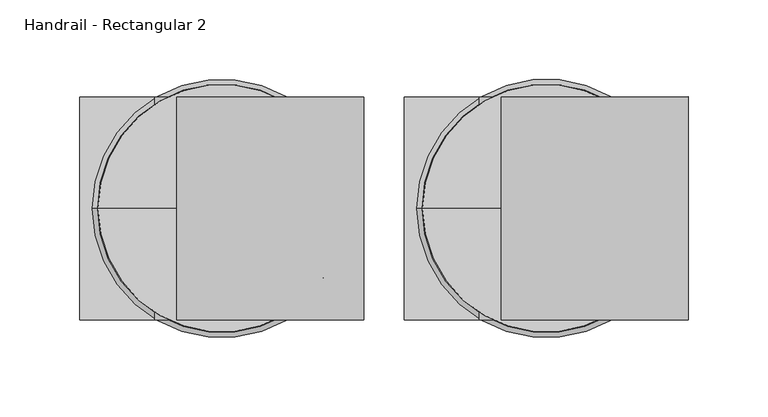
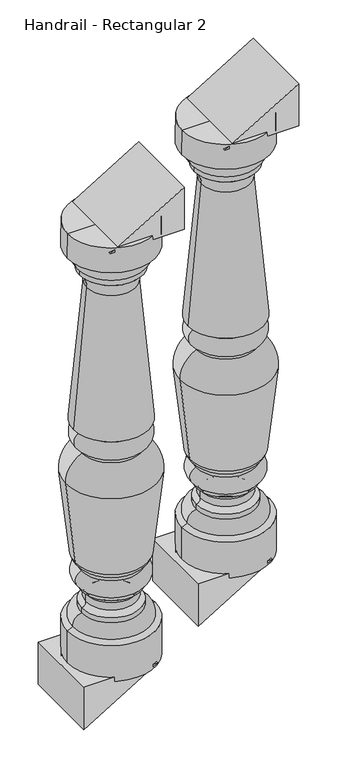
"""IFC4 building model written with IfcOpenShell, lengths in millimetres: railing geometry, Handrail - Rectangular 2."""

from ifc_helpers import new_model, si_unit, point, frame, origin, place, context, project, spatial, polyline, circle_curve, ellipse_curve, trimmed, outline, extrude, source, transform, mapped, element, save
from ifc_brep_helpers import plane_surface, cylinder_surface, revolved_surface, advanced_brep


def handrail_rectangular_2_5136c769(model_context):
    return source(origin(), model_context, "Body", "SolidModel", [
        advanced_brep(
        [(6974.7027138, 3995.6919589, 1665.0450782), (6897.1414749, 3995.6919589, 1665.0450782), (7052.2639527, 3995.6919589, 1665.0450782), (7052.4902138, 3995.6919589, 852.2450782), (6896.9152138, 3995.6919589, 852.2450782), (6974.7027138, 3995.6919589, 852.2450782), (7052.4902138, 3995.6919589, 918.9200782), (6896.9152138, 3995.6919589, 918.9200782), (7042.8781798, 3995.6919589, 924.0685631), (6906.5272477, 3995.6919589, 924.0685631), (7027.0902138, 3995.6919589, 944.4511314), (6922.3152138, 3995.6919589, 944.4511314), (7027.0902138, 3995.6919589, 953.8450782), (6922.3152138, 3995.6919589, 953.8450782), (7019.4714969, 3995.6919589, 962.8798944), (6929.9339306, 3995.6919589, 962.8798944), (7019.4714969, 3995.6919589, 976.5602619), (6929.9339306, 3995.6919589, 976.5602619), (7027.0902138, 3995.6919589, 985.5950782), (6922.3152138, 3995.6919589, 985.5950782), (7027.0902138, 3995.6919589, 991.9450782), (6922.3152138, 3995.6919589, 991.9450782), (7027.8839638, 3995.6919589, 1023.6950782), (6921.5214638, 3995.6919589, 1023.6950782), (7027.8839638, 3995.6919589, 1030.0450782), (6921.5214638, 3995.6919589, 1030.0450782), (7038.6567486, 3995.6919589, 1042.7358623), (6910.748679, 3995.6919589, 1042.7358623), (7055.7438292, 3995.6919589, 1197.0926669), (6893.6615983, 3995.6919589, 1197.0926669), (7027.0902138, 3995.6919589, 1244.3575782), (6922.3152138, 3995.6919589, 1244.3575782), (7027.0902138, 3995.6919589, 1250.7075782), (6922.3152138, 3995.6919589, 1250.7075782), (7030.2652138, 3995.6919589, 1285.6325782), (6919.1402138, 3995.6919589, 1285.6325782), (7030.2652138, 3995.6919589, 1288.8075782), (6919.1402138, 3995.6919589, 1288.8075782), (7041.3777138, 3995.6919589, 1293.5700782), (6908.0277138, 3995.6919589, 1293.5700782), (7018.1992017, 3995.6919589, 1552.04), (6931.2062258, 3995.6919589, 1552.04), (7030.2652138, 3995.6919589, 1579.3200782), (6919.1402138, 3995.6919589, 1579.3200782), (7030.2652138, 3995.6919589, 1588.8450782), (6919.1402138, 3995.6919589, 1588.8450782), (7041.3777138, 3995.6919589, 1615.8325782), (6908.0277138, 3995.6919589, 1615.8325782), (7052.4902138, 3995.6919589, 1619.0075782), (6896.9152138, 3995.6919589, 1619.0075782)],
        [
            (0, 1),
            (1, 2, circle_curve(frame((6974.7027138, 3995.6919589, 1665.0450782), z_axis=(0.0, 0.0, 1.0), x_axis=(-1.0, 0.0, 0.0)), 77.5612389)),
            (2, 0),
            (2, 1, circle_curve(frame((6974.7027138, 3995.6919589, 1665.0450782), z_axis=(0.0, 0.0, 1.0), x_axis=(-1.0, 0.0, 0.0)), 77.5612389)),
            (3, 4, circle_curve(frame((6974.7027138, 3995.6919589, 852.2450782), z_axis=(0.0, 0.0, -1.0), x_axis=(-1.0, 0.0, 0.0)), 77.7875)),
            (4, 5),
            (5, 3),
            (4, 3, circle_curve(frame((6974.7027138, 3995.6919589, 852.2450782), z_axis=(0.0, 0.0, -1.0), x_axis=(-1.0, 0.0, 0.0)), 77.7875)),
            (6, 7, circle_curve(frame((6974.7027138, 3995.6919589, 918.9200782), z_axis=(0.0, 0.0, -1.0), x_axis=(-1.0, 0.0, 0.0)), 77.7875)),
            (7, 4),
            (3, 6),
            (7, 6, circle_curve(frame((6974.7027138, 3995.6919589, 918.9200782), z_axis=(0.0, 0.0, -1.0), x_axis=(-1.0, 0.0, 0.0)), 77.7875)),
            (8, 9, circle_curve(frame((6974.7027138, 3995.6919589, 924.0685631), z_axis=(0.0, 0.0, -1.0), x_axis=(-1.0, 0.0, 0.0)), 68.175466)),
            (9, 7),
            (6, 8),
            (9, 8, circle_curve(frame((6974.7027138, 3995.6919589, 924.0685631), z_axis=(0.0, 0.0, -1.0), x_axis=(-1.0, 0.0, 0.0)), 68.175466)),
            (10, 11, circle_curve(frame((6974.7027138, 3995.6919589, 944.4511314), z_axis=(0.0, 0.0, -1.0), x_axis=(-1.0, 0.0, 0.0)), 52.3875)),
            (11, 9, circle_curve(frame((6924.6903026, 3995.6919589, 926.3056112), z_axis=(0.0, -1.0, 0.0), x_axis=(1.0, 0.0, 0.0)), 18.3002991)),
            (8, 10, circle_curve(frame((7024.7151249, 3995.6919589, 926.3056112), z_axis=(0.0, -1.0, 0.0), x_axis=(-1.0, 0.0, 0.0)), 18.3002991)),
            (11, 10, circle_curve(frame((6974.7027138, 3995.6919589, 944.4511314), z_axis=(0.0, 0.0, -1.0), x_axis=(-1.0, 0.0, 0.0)), 52.3875)),
            (12, 13, circle_curve(frame((6974.7027138, 3995.6919589, 953.8450782), z_axis=(0.0, 0.0, -1.0), x_axis=(-1.0, 0.0, 0.0)), 52.3875)),
            (13, 11),
            (10, 12),
            (13, 12, circle_curve(frame((6974.7027138, 3995.6919589, 953.8450782), z_axis=(0.0, 0.0, -1.0), x_axis=(-1.0, 0.0, 0.0)), 52.3875)),
            (14, 15, circle_curve(frame((6974.7027138, 3995.6919589, 962.8798944), z_axis=(0.0, 0.0, -1.0), x_axis=(-1.0, 0.0, 0.0)), 44.7687831)),
            (15, 13, circle_curve(frame((6920.5298785, 3995.6919589, 963.0802787), z_axis=(0.0, 1.0, 0.0), x_axis=(1.0, 0.0, 0.0)), 9.4061868)),
            (12, 14, circle_curve(frame((7028.875549, 3995.6919589, 963.0802787), z_axis=(0.0, 1.0, 0.0), x_axis=(-1.0, 0.0, 0.0)), 9.4061868)),
            (15, 14, circle_curve(frame((6974.7027138, 3995.6919589, 962.8798944), z_axis=(0.0, 0.0, -1.0), x_axis=(-1.0, 0.0, 0.0)), 44.7687831)),
            (16, 17, circle_curve(frame((6974.7027138, 3995.6919589, 976.5602619), z_axis=(0.0, 0.0, -1.0), x_axis=(-1.0, 0.0, 0.0)), 44.7687831)),
            (17, 15),
            (14, 16),
            (17, 16, circle_curve(frame((6974.7027138, 3995.6919589, 976.5602619), z_axis=(0.0, 0.0, -1.0), x_axis=(-1.0, 0.0, 0.0)), 44.7687831)),
            (18, 19, circle_curve(frame((6974.7027138, 3995.6919589, 985.5950782), z_axis=(0.0, 0.0, -1.0), x_axis=(-1.0, 0.0, 0.0)), 52.3875)),
            (19, 17, circle_curve(frame((6920.5298785, 3995.6919589, 976.3598776), z_axis=(0.0, 1.0, 0.0), x_axis=(1.0, 0.0, 0.0)), 9.4061868)),
            (16, 18, circle_curve(frame((7028.875549, 3995.6919589, 976.3598776), z_axis=(0.0, 1.0, 0.0), x_axis=(-1.0, 0.0, 0.0)), 9.4061868)),
            (19, 18, circle_curve(frame((6974.7027138, 3995.6919589, 985.5950782), z_axis=(0.0, 0.0, -1.0), x_axis=(-1.0, 0.0, 0.0)), 52.3875)),
            (20, 21, circle_curve(frame((6974.7027138, 3995.6919589, 991.9450782), z_axis=(0.0, 0.0, -1.0), x_axis=(-1.0, 0.0, 0.0)), 52.3875)),
            (21, 19),
            (18, 20),
            (21, 20, circle_curve(frame((6974.7027138, 3995.6919589, 991.9450782), z_axis=(0.0, 0.0, -1.0), x_axis=(-1.0, 0.0, 0.0)), 52.3875)),
            (22, 23, circle_curve(frame((6974.7027138, 3995.6919589, 1023.6950782), z_axis=(0.0, 0.0, -1.0), x_axis=(-1.0, 0.0, 0.0)), 53.18125)),
            (23, 21, circle_curve(frame((6927.8943014, 3995.6919589, 1007.9694772), z_axis=(0.0, -1.0, 0.0), x_axis=(1.0, 0.0, 0.0)), 16.9678397)),
            (20, 22, circle_curve(frame((7021.5111261, 3995.6919589, 1007.9694772), z_axis=(0.0, -1.0, 0.0), x_axis=(-1.0, 0.0, 0.0)), 16.9678397)),
            (23, 22, circle_curve(frame((6974.7027138, 3995.6919589, 1023.6950782), z_axis=(0.0, 0.0, -1.0), x_axis=(-1.0, 0.0, 0.0)), 53.18125)),
            (24, 25, circle_curve(frame((6974.7027138, 3995.6919589, 1030.0450782), z_axis=(0.0, 0.0, -1.0), x_axis=(-1.0, 0.0, 0.0)), 53.18125)),
            (25, 23),
            (22, 24),
            (25, 24, circle_curve(frame((6974.7027138, 3995.6919589, 1030.0450782), z_axis=(0.0, 0.0, -1.0), x_axis=(-1.0, 0.0, 0.0)), 53.18125)),
            (26, 27, circle_curve(frame((6974.7027138, 3995.6919589, 1042.7358623), z_axis=(0.0, 0.0, -1.0), x_axis=(-1.0, 0.0, 0.0)), 63.9540348)),
            (27, 25, circle_curve(frame((6931.3548362, 3995.6919589, 1049.3100227), z_axis=(0.0, -1.0, 0.0), x_axis=(1.0, 0.0, 0.0)), 21.6294545)),
            (24, 26, circle_curve(frame((7018.0505913, 3995.6919589, 1049.3100227), z_axis=(0.0, -1.0, 0.0), x_axis=(-1.0, 0.0, 0.0)), 21.6294545)),
            (27, 26, circle_curve(frame((6974.7027138, 3995.6919589, 1042.7358623), z_axis=(0.0, 0.0, -1.0), x_axis=(-1.0, 0.0, 0.0)), 63.9540348)),
            (28, 29, circle_curve(frame((6974.7027138, 3995.6919589, 1197.0926669), z_axis=(0.0, 0.0, -1.0), x_axis=(-1.0, 0.0, 0.0)), 81.0411154)),
            (29, 27, circle_curve(frame((8387.9890441, 3995.6919589, 1284.388448), z_axis=(0.0, -1.0, 0.0), x_axis=(1.0, 0.0, 0.0)), 1496.8751012)),
            (26, 28, circle_curve(frame((5561.4163835, 3995.6919589, 1284.388448), z_axis=(0.0, -1.0, 0.0), x_axis=(-1.0, 0.0, 0.0)), 1496.8751012)),
            (29, 28, circle_curve(frame((6974.7027138, 3995.6919589, 1197.0926669), z_axis=(0.0, 0.0, -1.0), x_axis=(-1.0, 0.0, 0.0)), 81.0411154)),
            (30, 31, circle_curve(frame((6974.7027138, 3995.6919589, 1244.3575782), z_axis=(0.0, 0.0, -1.0), x_axis=(-1.0, 0.0, 0.0)), 52.3875)),
            (31, 29, circle_curve(frame((6945.4143644, 3995.6919589, 1198.0362189), z_axis=(0.0, -1.0, 0.0), x_axis=(1.0, 0.0, 0.0)), 51.7613668)),
            (28, 30, circle_curve(frame((7003.9910631, 3995.6919589, 1198.0362189), z_axis=(0.0, -1.0, 0.0), x_axis=(-1.0, 0.0, 0.0)), 51.7613668)),
            (31, 30, circle_curve(frame((6974.7027138, 3995.6919589, 1244.3575782), z_axis=(0.0, 0.0, -1.0), x_axis=(-1.0, 0.0, 0.0)), 52.3875)),
            (32, 33, circle_curve(frame((6974.7027138, 3995.6919589, 1250.7075782), z_axis=(0.0, 0.0, -1.0), x_axis=(-1.0, 0.0, 0.0)), 52.3875)),
            (33, 31),
            (30, 32),
            (33, 32, circle_curve(frame((6974.7027138, 3995.6919589, 1250.7075782), z_axis=(0.0, 0.0, -1.0), x_axis=(-1.0, 0.0, 0.0)), 52.3875)),
            (34, 35, circle_curve(frame((6974.7027138, 3995.6919589, 1285.6325782), z_axis=(0.0, 0.0, -1.0), x_axis=(-1.0, 0.0, 0.0)), 55.5625)),
            (35, 33, circle_curve(frame((6927.3814661, 3995.6919589, 1268.7749647), z_axis=(0.0, -1.0, 0.0), x_axis=(1.0, 0.0, 0.0)), 18.7642578)),
            (32, 34, circle_curve(frame((7022.0239614, 3995.6919589, 1268.7749647), z_axis=(0.0, -1.0, 0.0), x_axis=(-1.0, 0.0, 0.0)), 18.7642578)),
            (35, 34, circle_curve(frame((6974.7027138, 3995.6919589, 1285.6325782), z_axis=(0.0, 0.0, -1.0), x_axis=(-1.0, 0.0, 0.0)), 55.5625)),
            (36, 37, circle_curve(frame((6974.7027138, 3995.6919589, 1288.8075782), z_axis=(0.0, 0.0, -1.0), x_axis=(-1.0, 0.0, 0.0)), 55.5625)),
            (37, 35),
            (34, 36),
            (37, 36, circle_curve(frame((6974.7027138, 3995.6919589, 1288.8075782), z_axis=(0.0, 0.0, -1.0), x_axis=(-1.0, 0.0, 0.0)), 55.5625)),
            (38, 39, circle_curve(frame((6974.7027138, 3995.6919589, 1293.5700782), z_axis=(0.0, 0.0, -1.0), x_axis=(-1.0, 0.0, 0.0)), 66.675)),
            (39, 37),
            (36, 38),
            (39, 38, circle_curve(frame((6974.7027138, 3995.6919589, 1293.5700782), z_axis=(0.0, 0.0, -1.0), x_axis=(-1.0, 0.0, 0.0)), 66.675)),
            (40, 41, circle_curve(frame((6974.7027138, 3995.6919589, 1552.04), z_axis=(0.0, 0.0, -1.0), x_axis=(-1.0, 0.0, 0.0)), 43.4964879)),
            (41, 39, circle_curve(frame((5284.3697999, 3995.6919589, 1569.4472326), z_axis=(0.0, 1.0, 0.0), x_axis=(1.0, 0.0, 0.0)), 1646.9284215)),
            (38, 40, circle_curve(frame((8665.0356276, 3995.6919589, 1569.4472326), z_axis=(0.0, 1.0, 0.0), x_axis=(-1.0, 0.0, 0.0)), 1646.9284215)),
            (41, 40, circle_curve(frame((6974.7027138, 3995.6919589, 1552.04), z_axis=(0.0, 0.0, -1.0), x_axis=(-1.0, 0.0, 0.0)), 43.4964879)),
            (42, 43, circle_curve(frame((6974.7027138, 3995.6919589, 1579.3200782), z_axis=(0.0, 0.0, -1.0), x_axis=(-1.0, 0.0, 0.0)), 55.5625)),
            (43, 41, circle_curve(frame((6898.502067, 3995.6919589, 1553.8833554), z_axis=(0.0, 1.0, 0.0), x_axis=(1.0, 0.0, 0.0)), 32.7560676)),
            (40, 42, circle_curve(frame((7050.9033606, 3995.6919589, 1553.8833554), z_axis=(0.0, 1.0, 0.0), x_axis=(-1.0, 0.0, 0.0)), 32.7560676)),
            (43, 42, circle_curve(frame((6974.7027138, 3995.6919589, 1579.3200782), z_axis=(0.0, 0.0, -1.0), x_axis=(-1.0, 0.0, 0.0)), 55.5625)),
            (44, 45, circle_curve(frame((6974.7027138, 3995.6919589, 1588.8450782), z_axis=(0.0, 0.0, -1.0), x_axis=(-1.0, 0.0, 0.0)), 55.5625)),
            (45, 43),
            (42, 44),
            (45, 44, circle_curve(frame((6974.7027138, 3995.6919589, 1588.8450782), z_axis=(0.0, 0.0, -1.0), x_axis=(-1.0, 0.0, 0.0)), 55.5625)),
            (46, 47, circle_curve(frame((6974.7027138, 3995.6919589, 1615.8325782), z_axis=(0.0, 0.0, -1.0), x_axis=(-1.0, 0.0, 0.0)), 66.675)),
            (47, 45, circle_curve(frame((6937.3879355, 3995.6919589, 1612.1404636), z_axis=(0.0, -1.0, 0.0), x_axis=(1.0, 0.0, 0.0)), 29.5914571)),
            (44, 46, circle_curve(frame((7012.017492, 3995.6919589, 1612.1404636), z_axis=(0.0, -1.0, 0.0), x_axis=(-1.0, 0.0, 0.0)), 29.5914571)),
            (47, 46, circle_curve(frame((6974.7027138, 3995.6919589, 1615.8325782), z_axis=(0.0, 0.0, -1.0), x_axis=(-1.0, 0.0, 0.0)), 66.675)),
            (48, 49, circle_curve(frame((6974.7027138, 3995.6919589, 1619.0075782), z_axis=(0.0, 0.0, -1.0), x_axis=(-1.0, 0.0, 0.0)), 77.7875)),
            (49, 47),
            (46, 48),
            (49, 48, circle_curve(frame((6974.7027138, 3995.6919589, 1619.0075782), z_axis=(0.0, 0.0, -1.0), x_axis=(-1.0, 0.0, 0.0)), 77.7875)),
            (1, 49),
            (48, 2),
        ],
        [
            plane_surface(frame((6974.7027138, 3995.6919589, 1665.0450782), z_axis=(0.0, 0.0, 1.0), x_axis=(-1.0, 0.0, 0.0))),
            plane_surface(frame((6974.7027138, 3995.6919589, 852.2450782), z_axis=(0.0, 0.0, -1.0), x_axis=(-1.0, 0.0, 0.0))),
            cylinder_surface(frame((6974.7027138, 3995.6919589, 1734.8950782), z_axis=(0.0, 0.0, 1.0), x_axis=(-1.0, 0.0, 0.0)), 77.7875),
            revolved_surface(polyline([(6896.9152138, 3995.6919589, 918.9200782), (6906.5272477, 3995.6919589, 924.0685631)]), (6974.7027138, 3995.6919589, 1734.8950782), (0.0, 0.0, 1.0)),
            revolved_surface(trimmed(ellipse_curve(frame((6924.6903026, 3995.6919589, 926.3056112), z_axis=(0.0, 1.0, 0.0), x_axis=(1.0, 0.0, 0.0)), 18.3002991, 18.3002991), [point((6906.5272477, 3995.6919589, 924.0685631))], [point((6922.3152138, 3995.6919589, 944.4511314))], True, "CARTESIAN"), (6974.7027138, 3995.6919589, 1734.8950782), (0.0, 0.0, 1.0)),
            cylinder_surface(frame((6974.7027138, 3995.6919589, 1734.8950782), z_axis=(0.0, 0.0, 1.0), x_axis=(-1.0, 0.0, 0.0)), 52.3875),
            revolved_surface(trimmed(ellipse_curve(frame((6920.5298785, 3995.6919589, 963.0802787), z_axis=(0.0, -1.0, 0.0), x_axis=(1.0, 0.0, 0.0)), 9.4061868, 9.4061868), [point((6922.3152138, 3995.6919589, 953.8450782))], [point((6929.9339306, 3995.6919589, 962.8798944))], True, "CARTESIAN"), (6974.7027138, 3995.6919589, 1734.8950782), (0.0, 0.0, 1.0)),
            cylinder_surface(frame((6974.7027138, 3995.6919589, 1734.8950782), z_axis=(0.0, 0.0, 1.0), x_axis=(-1.0, 0.0, 0.0)), 44.7687831),
            revolved_surface(trimmed(ellipse_curve(frame((6920.5298785, 3995.6919589, 976.3598776), z_axis=(0.0, -1.0, 0.0), x_axis=(1.0, 0.0, 0.0)), 9.4061868, 9.4061868), [point((6929.9339306, 3995.6919589, 976.5602619))], [point((6922.3152138, 3995.6919589, 985.5950782))], True, "CARTESIAN"), (6974.7027138, 3995.6919589, 1734.8950782), (0.0, 0.0, 1.0)),
            revolved_surface(trimmed(ellipse_curve(frame((6927.8943014, 3995.6919589, 1007.9694772), z_axis=(0.0, 1.0, 0.0), x_axis=(1.0, 0.0, 0.0)), 16.9678397, 16.9678397), [point((6922.3152138, 3995.6919589, 991.9450782))], [point((6921.5214638, 3995.6919589, 1023.6950782))], True, "CARTESIAN"), (6974.7027138, 3995.6919589, 1734.8950782), (0.0, 0.0, 1.0)),
            cylinder_surface(frame((6974.7027138, 3995.6919589, 1734.8950782), z_axis=(0.0, 0.0, 1.0), x_axis=(-1.0, 0.0, 0.0)), 53.18125),
            revolved_surface(trimmed(ellipse_curve(frame((6931.3548362, 3995.6919589, 1049.3100227), z_axis=(0.0, 1.0, 0.0), x_axis=(1.0, 0.0, 0.0)), 21.6294545, 21.6294545), [point((6921.5214638, 3995.6919589, 1030.0450782))], [point((6910.748679, 3995.6919589, 1042.7358623))], True, "CARTESIAN"), (6974.7027138, 3995.6919589, 1734.8950782), (0.0, 0.0, 1.0)),
            revolved_surface(trimmed(ellipse_curve(frame((8387.9890441, 3995.6919589, 1284.388448), z_axis=(0.0, 1.0, 0.0), x_axis=(1.0, 0.0, 0.0)), 1496.8751012, 1496.8751012), [point((6910.748679, 3995.6919589, 1042.7358623))], [point((6893.6615983, 3995.6919589, 1197.0926669))], True, "CARTESIAN"), (6974.7027138, 3995.6919589, 1734.8950782), (0.0, 0.0, 1.0)),
            revolved_surface(trimmed(ellipse_curve(frame((6945.4143644, 3995.6919589, 1198.0362189), z_axis=(0.0, 1.0, 0.0), x_axis=(1.0, 0.0, 0.0)), 51.7613668, 51.7613668), [point((6893.6615983, 3995.6919589, 1197.0926669))], [point((6922.3152138, 3995.6919589, 1244.3575782))], True, "CARTESIAN"), (6974.7027138, 3995.6919589, 1734.8950782), (0.0, 0.0, 1.0)),
            revolved_surface(trimmed(ellipse_curve(frame((6927.3814661, 3995.6919589, 1268.7749647), z_axis=(0.0, 1.0, 0.0), x_axis=(1.0, 0.0, 0.0)), 18.7642578, 18.7642578), [point((6922.3152138, 3995.6919589, 1250.7075782))], [point((6919.1402138, 3995.6919589, 1285.6325782))], True, "CARTESIAN"), (6974.7027138, 3995.6919589, 1734.8950782), (0.0, 0.0, 1.0)),
            cylinder_surface(frame((6974.7027138, 3995.6919589, 1734.8950782), z_axis=(0.0, 0.0, 1.0), x_axis=(-1.0, 0.0, 0.0)), 55.5625),
            revolved_surface(polyline([(6919.1402138, 3995.6919589, 1288.8075782), (6908.0277138, 3995.6919589, 1293.5700782)]), (6974.7027138, 3995.6919589, 1734.8950782), (0.0, 0.0, 1.0)),
            revolved_surface(trimmed(ellipse_curve(frame((5284.3697999, 3995.6919589, 1569.4472326), z_axis=(0.0, -1.0, 0.0), x_axis=(1.0, 0.0, 0.0)), 1646.9284215, 1646.9284215), [point((6908.0277138, 3995.6919589, 1293.5700782))], [point((6931.2062258, 3995.6919589, 1552.04))], True, "CARTESIAN"), (6974.7027138, 3995.6919589, 1734.8950782), (0.0, 0.0, 1.0)),
            revolved_surface(trimmed(ellipse_curve(frame((6898.502067, 3995.6919589, 1553.8833554), z_axis=(0.0, -1.0, 0.0), x_axis=(1.0, 0.0, 0.0)), 32.7560676, 32.7560676), [point((6931.2062258, 3995.6919589, 1552.04))], [point((6919.1402138, 3995.6919589, 1579.3200782))], True, "CARTESIAN"), (6974.7027138, 3995.6919589, 1734.8950782), (0.0, 0.0, 1.0)),
            revolved_surface(trimmed(ellipse_curve(frame((6937.3879355, 3995.6919589, 1612.1404636), z_axis=(0.0, 1.0, 0.0), x_axis=(1.0, 0.0, 0.0)), 29.5914571, 29.5914571), [point((6919.1402138, 3995.6919589, 1588.8450782))], [point((6908.0277138, 3995.6919589, 1615.8325782))], True, "CARTESIAN"), (6974.7027138, 3995.6919589, 1734.8950782), (0.0, 0.0, 1.0)),
            revolved_surface(polyline([(6908.0277138, 3995.6919589, 1615.8325782), (6896.9152138, 3995.6919589, 1619.0075782)]), (6974.7027138, 3995.6919589, 1734.8950782), (0.0, 0.0, 1.0)),
            revolved_surface(polyline([(6896.9152138, 3995.6919589, 1619.0075782), (6897.1414749, 3995.6919589, 1665.0450782)]), (6974.7027138, 3995.6919589, 1734.8950782), (0.0, 0.0, 1.0)),
        ],
        [
            (0, [[1, 2, 3]]),
            (0, [[-3, 4, -1]]),
            (1, [[5, 6, 7]]),
            (1, [[8, -7, -6]]),
            (2, [[9, 10, -5, 11]]),
            (2, [[12, -11, -8, -10]]),
            (3, [[13, 14, -9, 15]]),
            (3, [[16, -15, -12, -14]]),
            (4, [[17, 18, -13, 19]]),
            (4, [[20, -19, -16, -18]]),
            (5, [[21, 22, -17, 23]]),
            (5, [[24, -23, -20, -22]]),
            (6, [[25, 26, -21, 27]]),
            (6, [[28, -27, -24, -26]]),
            (7, [[29, 30, -25, 31]]),
            (7, [[32, -31, -28, -30]]),
            (8, [[33, 34, -29, 35]]),
            (8, [[36, -35, -32, -34]]),
            (5, [[37, 38, -33, 39]]),
            (5, [[40, -39, -36, -38]]),
            (9, [[41, 42, -37, 43]]),
            (9, [[44, -43, -40, -42]]),
            (10, [[45, 46, -41, 47]]),
            (10, [[48, -47, -44, -46]]),
            (11, [[49, 50, -45, 51]]),
            (11, [[52, -51, -48, -50]]),
            (12, [[53, 54, -49, 55]]),
            (12, [[56, -55, -52, -54]]),
            (13, [[57, 58, -53, 59]]),
            (13, [[60, -59, -56, -58]]),
            (5, [[61, 62, -57, 63]]),
            (5, [[64, -63, -60, -62]]),
            (14, [[65, 66, -61, 67]]),
            (14, [[68, -67, -64, -66]]),
            (15, [[69, 70, -65, 71]]),
            (15, [[72, -71, -68, -70]]),
            (16, [[73, 74, -69, 75]]),
            (16, [[76, -75, -72, -74]]),
            (17, [[77, 78, -73, 79]]),
            (17, [[80, -79, -76, -78]]),
            (18, [[81, 82, -77, 83]]),
            (18, [[84, -83, -80, -82]]),
            (15, [[85, 86, -81, 87]]),
            (15, [[88, -87, -84, -86]]),
            (19, [[89, 90, -85, 91]]),
            (19, [[92, -91, -88, -90]]),
            (20, [[93, 94, -89, 95]]),
            (20, [[96, -95, -92, -94]]),
            (21, [[-2, 97, -93, 98]]),
            (21, [[-4, -98, -96, -97]]),
        ],
    ),
        extrude(outline(polyline([(860.0401515, 7016.6127138), (860.0401515, 6885.8027138), (780.7613636, 6885.8027138), (860.0401515, 7016.6127138)])), frame((0.0, 3925.8419589, 0.0), z_axis=(0.0, 1.0, 0.0), x_axis=(0.0, 0.0, 1.0)), (0.0, 0.0, 1.0), 139.7),
        extrude(outline(polyline([(1657.2500048, 6932.7927138), (1657.2500048, 7063.6027138), (1736.5287927, 7063.6027138), (1657.2500048, 6932.7927138)])), frame((0.0, 3925.8419589, 0.0), z_axis=(0.0, 1.0, 0.0), x_axis=(0.0, 0.0, 1.0)), (0.0, 0.0, 1.0), 139.7),
        advanced_brep(
        [(6771.5027138, 3995.6919589, 1541.893563), (6693.9414749, 3995.6919589, 1541.893563), (6849.0639527, 3995.6919589, 1541.893563), (6849.2902138, 3995.6919589, 729.093563), (6693.7152138, 3995.6919589, 729.093563), (6771.5027138, 3995.6919589, 729.093563), (6849.2902138, 3995.6919589, 795.768563), (6693.7152138, 3995.6919589, 795.768563), (6839.6781798, 3995.6919589, 800.917048), (6703.3272477, 3995.6919589, 800.917048), (6823.8902138, 3995.6919589, 821.2996162), (6719.1152138, 3995.6919589, 821.2996162), (6823.8902138, 3995.6919589, 830.693563), (6719.1152138, 3995.6919589, 830.693563), (6816.2714969, 3995.6919589, 839.7283792), (6726.7339306, 3995.6919589, 839.7283792), (6816.2714969, 3995.6919589, 853.4087468), (6726.7339306, 3995.6919589, 853.4087468), (6823.8902138, 3995.6919589, 862.443563), (6719.1152138, 3995.6919589, 862.443563), (6823.8902138, 3995.6919589, 868.793563), (6719.1152138, 3995.6919589, 868.793563), (6824.6839638, 3995.6919589, 900.543563), (6718.3214638, 3995.6919589, 900.543563), (6824.6839638, 3995.6919589, 906.893563), (6718.3214638, 3995.6919589, 906.893563), (6835.4567486, 3995.6919589, 919.5843472), (6707.548679, 3995.6919589, 919.5843472), (6852.5438292, 3995.6919589, 1073.9411517), (6690.4615983, 3995.6919589, 1073.9411517), (6823.8902138, 3995.6919589, 1121.206063), (6719.1152138, 3995.6919589, 1121.206063), (6823.8902138, 3995.6919589, 1127.556063), (6719.1152138, 3995.6919589, 1127.556063), (6827.0652138, 3995.6919589, 1162.481063), (6715.9402138, 3995.6919589, 1162.481063), (6827.0652138, 3995.6919589, 1165.656063), (6715.9402138, 3995.6919589, 1165.656063), (6838.1777138, 3995.6919589, 1170.418563), (6704.8277138, 3995.6919589, 1170.418563), (6814.9992017, 3995.6919589, 1428.8884848), (6728.0062258, 3995.6919589, 1428.8884848), (6827.0652138, 3995.6919589, 1456.168563), (6715.9402138, 3995.6919589, 1456.168563), (6827.0652138, 3995.6919589, 1465.693563), (6715.9402138, 3995.6919589, 1465.693563), (6838.1777138, 3995.6919589, 1492.681063), (6704.8277138, 3995.6919589, 1492.681063), (6849.2902138, 3995.6919589, 1495.856063), (6693.7152138, 3995.6919589, 1495.856063)],
        [
            (0, 1),
            (1, 2, circle_curve(frame((6771.5027138, 3995.6919589, 1541.893563), z_axis=(0.0, 0.0, 1.0), x_axis=(-1.0, 0.0, 0.0)), 77.5612389)),
            (2, 0),
            (2, 1, circle_curve(frame((6771.5027138, 3995.6919589, 1541.893563), z_axis=(0.0, 0.0, 1.0), x_axis=(-1.0, 0.0, 0.0)), 77.5612389)),
            (3, 4, circle_curve(frame((6771.5027138, 3995.6919589, 729.093563), z_axis=(0.0, 0.0, -1.0), x_axis=(-1.0, 0.0, 0.0)), 77.7875)),
            (4, 5),
            (5, 3),
            (4, 3, circle_curve(frame((6771.5027138, 3995.6919589, 729.093563), z_axis=(0.0, 0.0, -1.0), x_axis=(-1.0, 0.0, 0.0)), 77.7875)),
            (6, 7, circle_curve(frame((6771.5027138, 3995.6919589, 795.768563), z_axis=(0.0, 0.0, -1.0), x_axis=(-1.0, 0.0, 0.0)), 77.7875)),
            (7, 4),
            (3, 6),
            (7, 6, circle_curve(frame((6771.5027138, 3995.6919589, 795.768563), z_axis=(0.0, 0.0, -1.0), x_axis=(-1.0, 0.0, 0.0)), 77.7875)),
            (8, 9, circle_curve(frame((6771.5027138, 3995.6919589, 800.917048), z_axis=(0.0, 0.0, -1.0), x_axis=(-1.0, 0.0, 0.0)), 68.175466)),
            (9, 7),
            (6, 8),
            (9, 8, circle_curve(frame((6771.5027138, 3995.6919589, 800.917048), z_axis=(0.0, 0.0, -1.0), x_axis=(-1.0, 0.0, 0.0)), 68.175466)),
            (10, 11, circle_curve(frame((6771.5027138, 3995.6919589, 821.2996162), z_axis=(0.0, 0.0, -1.0), x_axis=(-1.0, 0.0, 0.0)), 52.3875)),
            (11, 9, circle_curve(frame((6721.4903026, 3995.6919589, 803.1540961), z_axis=(0.0, -1.0, 0.0), x_axis=(1.0, 0.0, 0.0)), 18.3002991)),
            (8, 10, circle_curve(frame((6821.5151249, 3995.6919589, 803.1540961), z_axis=(0.0, -1.0, 0.0), x_axis=(-1.0, 0.0, 0.0)), 18.3002991)),
            (11, 10, circle_curve(frame((6771.5027138, 3995.6919589, 821.2996162), z_axis=(0.0, 0.0, -1.0), x_axis=(-1.0, 0.0, 0.0)), 52.3875)),
            (12, 13, circle_curve(frame((6771.5027138, 3995.6919589, 830.693563), z_axis=(0.0, 0.0, -1.0), x_axis=(-1.0, 0.0, 0.0)), 52.3875)),
            (13, 11),
            (10, 12),
            (13, 12, circle_curve(frame((6771.5027138, 3995.6919589, 830.693563), z_axis=(0.0, 0.0, -1.0), x_axis=(-1.0, 0.0, 0.0)), 52.3875)),
            (14, 15, circle_curve(frame((6771.5027138, 3995.6919589, 839.7283792), z_axis=(0.0, 0.0, -1.0), x_axis=(-1.0, 0.0, 0.0)), 44.7687831)),
            (15, 13, circle_curve(frame((6717.3298785, 3995.6919589, 839.9287635), z_axis=(0.0, 1.0, 0.0), x_axis=(1.0, 0.0, 0.0)), 9.4061868)),
            (12, 14, circle_curve(frame((6825.675549, 3995.6919589, 839.9287635), z_axis=(0.0, 1.0, 0.0), x_axis=(-1.0, 0.0, 0.0)), 9.4061868)),
            (15, 14, circle_curve(frame((6771.5027138, 3995.6919589, 839.7283792), z_axis=(0.0, 0.0, -1.0), x_axis=(-1.0, 0.0, 0.0)), 44.7687831)),
            (16, 17, circle_curve(frame((6771.5027138, 3995.6919589, 853.4087468), z_axis=(0.0, 0.0, -1.0), x_axis=(-1.0, 0.0, 0.0)), 44.7687831)),
            (17, 15),
            (14, 16),
            (17, 16, circle_curve(frame((6771.5027138, 3995.6919589, 853.4087468), z_axis=(0.0, 0.0, -1.0), x_axis=(-1.0, 0.0, 0.0)), 44.7687831)),
            (18, 19, circle_curve(frame((6771.5027138, 3995.6919589, 862.443563), z_axis=(0.0, 0.0, -1.0), x_axis=(-1.0, 0.0, 0.0)), 52.3875)),
            (19, 17, circle_curve(frame((6717.3298785, 3995.6919589, 853.2083625), z_axis=(0.0, 1.0, 0.0), x_axis=(1.0, 0.0, 0.0)), 9.4061868)),
            (16, 18, circle_curve(frame((6825.675549, 3995.6919589, 853.2083625), z_axis=(0.0, 1.0, 0.0), x_axis=(-1.0, 0.0, 0.0)), 9.4061868)),
            (19, 18, circle_curve(frame((6771.5027138, 3995.6919589, 862.443563), z_axis=(0.0, 0.0, -1.0), x_axis=(-1.0, 0.0, 0.0)), 52.3875)),
            (20, 21, circle_curve(frame((6771.5027138, 3995.6919589, 868.793563), z_axis=(0.0, 0.0, -1.0), x_axis=(-1.0, 0.0, 0.0)), 52.3875)),
            (21, 19),
            (18, 20),
            (21, 20, circle_curve(frame((6771.5027138, 3995.6919589, 868.793563), z_axis=(0.0, 0.0, -1.0), x_axis=(-1.0, 0.0, 0.0)), 52.3875)),
            (22, 23, circle_curve(frame((6771.5027138, 3995.6919589, 900.543563), z_axis=(0.0, 0.0, -1.0), x_axis=(-1.0, 0.0, 0.0)), 53.18125)),
            (23, 21, circle_curve(frame((6724.6943014, 3995.6919589, 884.8179621), z_axis=(0.0, -1.0, 0.0), x_axis=(1.0, 0.0, 0.0)), 16.9678397)),
            (20, 22, circle_curve(frame((6818.3111261, 3995.6919589, 884.8179621), z_axis=(0.0, -1.0, 0.0), x_axis=(-1.0, 0.0, 0.0)), 16.9678397)),
            (23, 22, circle_curve(frame((6771.5027138, 3995.6919589, 900.543563), z_axis=(0.0, 0.0, -1.0), x_axis=(-1.0, 0.0, 0.0)), 53.18125)),
            (24, 25, circle_curve(frame((6771.5027138, 3995.6919589, 906.893563), z_axis=(0.0, 0.0, -1.0), x_axis=(-1.0, 0.0, 0.0)), 53.18125)),
            (25, 23),
            (22, 24),
            (25, 24, circle_curve(frame((6771.5027138, 3995.6919589, 906.893563), z_axis=(0.0, 0.0, -1.0), x_axis=(-1.0, 0.0, 0.0)), 53.18125)),
            (26, 27, circle_curve(frame((6771.5027138, 3995.6919589, 919.5843472), z_axis=(0.0, 0.0, -1.0), x_axis=(-1.0, 0.0, 0.0)), 63.9540348)),
            (27, 25, circle_curve(frame((6728.1548362, 3995.6919589, 926.1585075), z_axis=(0.0, -1.0, 0.0), x_axis=(1.0, 0.0, 0.0)), 21.6294545)),
            (24, 26, circle_curve(frame((6814.8505913, 3995.6919589, 926.1585075), z_axis=(0.0, -1.0, 0.0), x_axis=(-1.0, 0.0, 0.0)), 21.6294545)),
            (27, 26, circle_curve(frame((6771.5027138, 3995.6919589, 919.5843472), z_axis=(0.0, 0.0, -1.0), x_axis=(-1.0, 0.0, 0.0)), 63.9540348)),
            (28, 29, circle_curve(frame((6771.5027138, 3995.6919589, 1073.9411517), z_axis=(0.0, 0.0, -1.0), x_axis=(-1.0, 0.0, 0.0)), 81.0411154)),
            (29, 27, circle_curve(frame((8184.7890441, 3995.6919589, 1161.2369328), z_axis=(0.0, -1.0, 0.0), x_axis=(1.0, 0.0, 0.0)), 1496.8751012)),
            (26, 28, circle_curve(frame((5358.2163835, 3995.6919589, 1161.2369328), z_axis=(0.0, -1.0, 0.0), x_axis=(-1.0, 0.0, 0.0)), 1496.8751012)),
            (29, 28, circle_curve(frame((6771.5027138, 3995.6919589, 1073.9411517), z_axis=(0.0, 0.0, -1.0), x_axis=(-1.0, 0.0, 0.0)), 81.0411154)),
            (30, 31, circle_curve(frame((6771.5027138, 3995.6919589, 1121.206063), z_axis=(0.0, 0.0, -1.0), x_axis=(-1.0, 0.0, 0.0)), 52.3875)),
            (31, 29, circle_curve(frame((6742.2143644, 3995.6919589, 1074.8847037), z_axis=(0.0, -1.0, 0.0), x_axis=(1.0, 0.0, 0.0)), 51.7613668)),
            (28, 30, circle_curve(frame((6800.7910631, 3995.6919589, 1074.8847037), z_axis=(0.0, -1.0, 0.0), x_axis=(-1.0, 0.0, 0.0)), 51.7613668)),
            (31, 30, circle_curve(frame((6771.5027138, 3995.6919589, 1121.206063), z_axis=(0.0, 0.0, -1.0), x_axis=(-1.0, 0.0, 0.0)), 52.3875)),
            (32, 33, circle_curve(frame((6771.5027138, 3995.6919589, 1127.556063), z_axis=(0.0, 0.0, -1.0), x_axis=(-1.0, 0.0, 0.0)), 52.3875)),
            (33, 31),
            (30, 32),
            (33, 32, circle_curve(frame((6771.5027138, 3995.6919589, 1127.556063), z_axis=(0.0, 0.0, -1.0), x_axis=(-1.0, 0.0, 0.0)), 52.3875)),
            (34, 35, circle_curve(frame((6771.5027138, 3995.6919589, 1162.481063), z_axis=(0.0, 0.0, -1.0), x_axis=(-1.0, 0.0, 0.0)), 55.5625)),
            (35, 33, circle_curve(frame((6724.1814661, 3995.6919589, 1145.6234496), z_axis=(0.0, -1.0, 0.0), x_axis=(1.0, 0.0, 0.0)), 18.7642578)),
            (32, 34, circle_curve(frame((6818.8239614, 3995.6919589, 1145.6234496), z_axis=(0.0, -1.0, 0.0), x_axis=(-1.0, 0.0, 0.0)), 18.7642578)),
            (35, 34, circle_curve(frame((6771.5027138, 3995.6919589, 1162.481063), z_axis=(0.0, 0.0, -1.0), x_axis=(-1.0, 0.0, 0.0)), 55.5625)),
            (36, 37, circle_curve(frame((6771.5027138, 3995.6919589, 1165.656063), z_axis=(0.0, 0.0, -1.0), x_axis=(-1.0, 0.0, 0.0)), 55.5625)),
            (37, 35),
            (34, 36),
            (37, 36, circle_curve(frame((6771.5027138, 3995.6919589, 1165.656063), z_axis=(0.0, 0.0, -1.0), x_axis=(-1.0, 0.0, 0.0)), 55.5625)),
            (38, 39, circle_curve(frame((6771.5027138, 3995.6919589, 1170.418563), z_axis=(0.0, 0.0, -1.0), x_axis=(-1.0, 0.0, 0.0)), 66.675)),
            (39, 37),
            (36, 38),
            (39, 38, circle_curve(frame((6771.5027138, 3995.6919589, 1170.418563), z_axis=(0.0, 0.0, -1.0), x_axis=(-1.0, 0.0, 0.0)), 66.675)),
            (40, 41, circle_curve(frame((6771.5027138, 3995.6919589, 1428.8884848), z_axis=(0.0, 0.0, -1.0), x_axis=(-1.0, 0.0, 0.0)), 43.4964879)),
            (41, 39, circle_curve(frame((5081.1697999, 3995.6919589, 1446.2957174), z_axis=(0.0, 1.0, 0.0), x_axis=(1.0, 0.0, 0.0)), 1646.9284215)),
            (38, 40, circle_curve(frame((8461.8356276, 3995.6919589, 1446.2957174), z_axis=(0.0, 1.0, 0.0), x_axis=(-1.0, 0.0, 0.0)), 1646.9284215)),
            (41, 40, circle_curve(frame((6771.5027138, 3995.6919589, 1428.8884848), z_axis=(0.0, 0.0, -1.0), x_axis=(-1.0, 0.0, 0.0)), 43.4964879)),
            (42, 43, circle_curve(frame((6771.5027138, 3995.6919589, 1456.168563), z_axis=(0.0, 0.0, -1.0), x_axis=(-1.0, 0.0, 0.0)), 55.5625)),
            (43, 41, circle_curve(frame((6695.302067, 3995.6919589, 1430.7318403), z_axis=(0.0, 1.0, 0.0), x_axis=(1.0, 0.0, 0.0)), 32.7560676)),
            (40, 42, circle_curve(frame((6847.7033606, 3995.6919589, 1430.7318403), z_axis=(0.0, 1.0, 0.0), x_axis=(-1.0, 0.0, 0.0)), 32.7560676)),
            (43, 42, circle_curve(frame((6771.5027138, 3995.6919589, 1456.168563), z_axis=(0.0, 0.0, -1.0), x_axis=(-1.0, 0.0, 0.0)), 55.5625)),
            (44, 45, circle_curve(frame((6771.5027138, 3995.6919589, 1465.693563), z_axis=(0.0, 0.0, -1.0), x_axis=(-1.0, 0.0, 0.0)), 55.5625)),
            (45, 43),
            (42, 44),
            (45, 44, circle_curve(frame((6771.5027138, 3995.6919589, 1465.693563), z_axis=(0.0, 0.0, -1.0), x_axis=(-1.0, 0.0, 0.0)), 55.5625)),
            (46, 47, circle_curve(frame((6771.5027138, 3995.6919589, 1492.681063), z_axis=(0.0, 0.0, -1.0), x_axis=(-1.0, 0.0, 0.0)), 66.675)),
            (47, 45, circle_curve(frame((6734.1879355, 3995.6919589, 1488.9889485), z_axis=(0.0, -1.0, 0.0), x_axis=(1.0, 0.0, 0.0)), 29.5914571)),
            (44, 46, circle_curve(frame((6808.817492, 3995.6919589, 1488.9889485), z_axis=(0.0, -1.0, 0.0), x_axis=(-1.0, 0.0, 0.0)), 29.5914571)),
            (47, 46, circle_curve(frame((6771.5027138, 3995.6919589, 1492.681063), z_axis=(0.0, 0.0, -1.0), x_axis=(-1.0, 0.0, 0.0)), 66.675)),
            (48, 49, circle_curve(frame((6771.5027138, 3995.6919589, 1495.856063), z_axis=(0.0, 0.0, -1.0), x_axis=(-1.0, 0.0, 0.0)), 77.7875)),
            (49, 47),
            (46, 48),
            (49, 48, circle_curve(frame((6771.5027138, 3995.6919589, 1495.856063), z_axis=(0.0, 0.0, -1.0), x_axis=(-1.0, 0.0, 0.0)), 77.7875)),
            (1, 49),
            (48, 2),
        ],
        [
            plane_surface(frame((6771.5027138, 3995.6919589, 1541.893563), z_axis=(0.0, 0.0, 1.0), x_axis=(-1.0, 0.0, 0.0))),
            plane_surface(frame((6771.5027138, 3995.6919589, 729.093563), z_axis=(0.0, 0.0, -1.0), x_axis=(-1.0, 0.0, 0.0))),
            cylinder_surface(frame((6771.5027138, 3995.6919589, 1611.743563), z_axis=(0.0, 0.0, 1.0), x_axis=(-1.0, 0.0, 0.0)), 77.7875),
            revolved_surface(polyline([(6693.7152138, 3995.6919589, 795.768563), (6703.3272477, 3995.6919589, 800.917048)]), (6771.5027138, 3995.6919589, 1611.743563), (0.0, 0.0, 1.0)),
            revolved_surface(trimmed(ellipse_curve(frame((6721.4903026, 3995.6919589, 803.1540961), z_axis=(0.0, 1.0, 0.0), x_axis=(1.0, 0.0, 0.0)), 18.3002991, 18.3002991), [point((6703.3272477, 3995.6919589, 800.917048))], [point((6719.1152138, 3995.6919589, 821.2996162))], True, "CARTESIAN"), (6771.5027138, 3995.6919589, 1611.743563), (0.0, 0.0, 1.0)),
            cylinder_surface(frame((6771.5027138, 3995.6919589, 1611.743563), z_axis=(0.0, 0.0, 1.0), x_axis=(-1.0, 0.0, 0.0)), 52.3875),
            revolved_surface(trimmed(ellipse_curve(frame((6717.3298785, 3995.6919589, 839.9287635), z_axis=(0.0, -1.0, 0.0), x_axis=(1.0, 0.0, 0.0)), 9.4061868, 9.4061868), [point((6719.1152138, 3995.6919589, 830.693563))], [point((6726.7339306, 3995.6919589, 839.7283792))], True, "CARTESIAN"), (6771.5027138, 3995.6919589, 1611.743563), (0.0, 0.0, 1.0)),
            cylinder_surface(frame((6771.5027138, 3995.6919589, 1611.743563), z_axis=(0.0, 0.0, 1.0), x_axis=(-1.0, 0.0, 0.0)), 44.7687831),
            revolved_surface(trimmed(ellipse_curve(frame((6717.3298785, 3995.6919589, 853.2083625), z_axis=(0.0, -1.0, 0.0), x_axis=(1.0, 0.0, 0.0)), 9.4061868, 9.4061868), [point((6726.7339306, 3995.6919589, 853.4087468))], [point((6719.1152138, 3995.6919589, 862.443563))], True, "CARTESIAN"), (6771.5027138, 3995.6919589, 1611.743563), (0.0, 0.0, 1.0)),
            revolved_surface(trimmed(ellipse_curve(frame((6724.6943014, 3995.6919589, 884.8179621), z_axis=(0.0, 1.0, 0.0), x_axis=(1.0, 0.0, 0.0)), 16.9678397, 16.9678397), [point((6719.1152138, 3995.6919589, 868.793563))], [point((6718.3214638, 3995.6919589, 900.543563))], True, "CARTESIAN"), (6771.5027138, 3995.6919589, 1611.743563), (0.0, 0.0, 1.0)),
            cylinder_surface(frame((6771.5027138, 3995.6919589, 1611.743563), z_axis=(0.0, 0.0, 1.0), x_axis=(-1.0, 0.0, 0.0)), 53.18125),
            revolved_surface(trimmed(ellipse_curve(frame((6728.1548362, 3995.6919589, 926.1585075), z_axis=(0.0, 1.0, 0.0), x_axis=(1.0, 0.0, 0.0)), 21.6294545, 21.6294545), [point((6718.3214638, 3995.6919589, 906.893563))], [point((6707.548679, 3995.6919589, 919.5843472))], True, "CARTESIAN"), (6771.5027138, 3995.6919589, 1611.743563), (0.0, 0.0, 1.0)),
            revolved_surface(trimmed(ellipse_curve(frame((8184.7890441, 3995.6919589, 1161.2369328), z_axis=(0.0, 1.0, 0.0), x_axis=(1.0, 0.0, 0.0)), 1496.8751012, 1496.8751012), [point((6707.548679, 3995.6919589, 919.5843472))], [point((6690.4615983, 3995.6919589, 1073.9411517))], True, "CARTESIAN"), (6771.5027138, 3995.6919589, 1611.743563), (0.0, 0.0, 1.0)),
            revolved_surface(trimmed(ellipse_curve(frame((6742.2143644, 3995.6919589, 1074.8847037), z_axis=(0.0, 1.0, 0.0), x_axis=(1.0, 0.0, 0.0)), 51.7613668, 51.7613668), [point((6690.4615983, 3995.6919589, 1073.9411517))], [point((6719.1152138, 3995.6919589, 1121.206063))], True, "CARTESIAN"), (6771.5027138, 3995.6919589, 1611.743563), (0.0, 0.0, 1.0)),
            revolved_surface(trimmed(ellipse_curve(frame((6724.1814661, 3995.6919589, 1145.6234496), z_axis=(0.0, 1.0, 0.0), x_axis=(1.0, 0.0, 0.0)), 18.7642578, 18.7642578), [point((6719.1152138, 3995.6919589, 1127.556063))], [point((6715.9402138, 3995.6919589, 1162.481063))], True, "CARTESIAN"), (6771.5027138, 3995.6919589, 1611.743563), (0.0, 0.0, 1.0)),
            cylinder_surface(frame((6771.5027138, 3995.6919589, 1611.743563), z_axis=(0.0, 0.0, 1.0), x_axis=(-1.0, 0.0, 0.0)), 55.5625),
            revolved_surface(polyline([(6715.9402138, 3995.6919589, 1165.656063), (6704.8277138, 3995.6919589, 1170.418563)]), (6771.5027138, 3995.6919589, 1611.743563), (0.0, 0.0, 1.0)),
            revolved_surface(trimmed(ellipse_curve(frame((5081.1697999, 3995.6919589, 1446.2957174), z_axis=(0.0, -1.0, 0.0), x_axis=(1.0, 0.0, 0.0)), 1646.9284215, 1646.9284215), [point((6704.8277138, 3995.6919589, 1170.418563))], [point((6728.0062258, 3995.6919589, 1428.8884848))], True, "CARTESIAN"), (6771.5027138, 3995.6919589, 1611.743563), (0.0, 0.0, 1.0)),
            revolved_surface(trimmed(ellipse_curve(frame((6695.302067, 3995.6919589, 1430.7318403), z_axis=(0.0, -1.0, 0.0), x_axis=(1.0, 0.0, 0.0)), 32.7560676, 32.7560676), [point((6728.0062258, 3995.6919589, 1428.8884848))], [point((6715.9402138, 3995.6919589, 1456.168563))], True, "CARTESIAN"), (6771.5027138, 3995.6919589, 1611.743563), (0.0, 0.0, 1.0)),
            revolved_surface(trimmed(ellipse_curve(frame((6734.1879355, 3995.6919589, 1488.9889485), z_axis=(0.0, 1.0, 0.0), x_axis=(1.0, 0.0, 0.0)), 29.5914571, 29.5914571), [point((6715.9402138, 3995.6919589, 1465.693563))], [point((6704.8277138, 3995.6919589, 1492.681063))], True, "CARTESIAN"), (6771.5027138, 3995.6919589, 1611.743563), (0.0, 0.0, 1.0)),
            revolved_surface(polyline([(6704.8277138, 3995.6919589, 1492.681063), (6693.7152138, 3995.6919589, 1495.856063)]), (6771.5027138, 3995.6919589, 1611.743563), (0.0, 0.0, 1.0)),
            revolved_surface(polyline([(6693.7152138, 3995.6919589, 1495.856063), (6693.9414749, 3995.6919589, 1541.893563)]), (6771.5027138, 3995.6919589, 1611.743563), (0.0, 0.0, 1.0)),
        ],
        [
            (0, [[1, 2, 3]]),
            (0, [[-3, 4, -1]]),
            (1, [[5, 6, 7]]),
            (1, [[8, -7, -6]]),
            (2, [[9, 10, -5, 11]]),
            (2, [[12, -11, -8, -10]]),
            (3, [[13, 14, -9, 15]]),
            (3, [[16, -15, -12, -14]]),
            (4, [[17, 18, -13, 19]]),
            (4, [[20, -19, -16, -18]]),
            (5, [[21, 22, -17, 23]]),
            (5, [[24, -23, -20, -22]]),
            (6, [[25, 26, -21, 27]]),
            (6, [[28, -27, -24, -26]]),
            (7, [[29, 30, -25, 31]]),
            (7, [[32, -31, -28, -30]]),
            (8, [[33, 34, -29, 35]]),
            (8, [[36, -35, -32, -34]]),
            (5, [[37, 38, -33, 39]]),
            (5, [[40, -39, -36, -38]]),
            (9, [[41, 42, -37, 43]]),
            (9, [[44, -43, -40, -42]]),
            (10, [[45, 46, -41, 47]]),
            (10, [[48, -47, -44, -46]]),
            (11, [[49, 50, -45, 51]]),
            (11, [[52, -51, -48, -50]]),
            (12, [[53, 54, -49, 55]]),
            (12, [[56, -55, -52, -54]]),
            (13, [[57, 58, -53, 59]]),
            (13, [[60, -59, -56, -58]]),
            (5, [[61, 62, -57, 63]]),
            (5, [[64, -63, -60, -62]]),
            (14, [[65, 66, -61, 67]]),
            (14, [[68, -67, -64, -66]]),
            (15, [[69, 70, -65, 71]]),
            (15, [[72, -71, -68, -70]]),
            (16, [[73, 74, -69, 75]]),
            (16, [[76, -75, -72, -74]]),
            (17, [[77, 78, -73, 79]]),
            (17, [[80, -79, -76, -78]]),
            (18, [[81, 82, -77, 83]]),
            (18, [[84, -83, -80, -82]]),
            (15, [[85, 86, -81, 87]]),
            (15, [[88, -87, -84, -86]]),
            (19, [[89, 90, -85, 91]]),
            (19, [[92, -91, -88, -90]]),
            (20, [[93, 94, -89, 95]]),
            (20, [[96, -95, -92, -94]]),
            (21, [[-2, 97, -93, 98]]),
            (21, [[-4, -98, -96, -97]]),
        ],
    ),
        extrude(outline(polyline([(736.8886364, 6813.4127138), (736.8886364, 6682.6027138), (657.6098485, 6682.6027138), (736.8886364, 6813.4127138)])), frame((0.0, 3925.8419589, 0.0), z_axis=(0.0, 1.0, 0.0), x_axis=(0.0, 0.0, 1.0)), (0.0, 0.0, 1.0), 139.7),
        extrude(outline(polyline([(1534.0984897, 6729.5927138), (1534.0984897, 6860.4027138), (1613.3772775, 6860.4027138), (1534.0984897, 6729.5927138)])), frame((0.0, 3925.8419589, 0.0), z_axis=(0.0, 1.0, 0.0), x_axis=(0.0, 0.0, 1.0)), (0.0, 0.0, 1.0), 139.7),
    ])


if __name__ == "__main__":
    model = new_model("IFC4")
    model_context = context("Model", 3, world=origin())
    ifc_project = project(units=[si_unit("LENGTHUNIT", "METRE", prefix="MILLI")], contexts=[model_context])
    site = spatial("IfcSite", under=ifc_project)
    building = spatial("IfcBuilding", under=site)
    placement = place(None, origin())
    handrail_rectangular_2_shape = handrail_rectangular_2_5136c769(model_context)
    element("IfcRailing", 1, ObjectType="Handrail - Rectangular 2", at=placement, inside=building, context=model_context, shape_type="MappedRepresentation", body=[
        mapped(handrail_rectangular_2_shape, transform((0.0, 0.0, 0.0), x_axis=(1.0, 0.0, 0.0), y_axis=(0.0, 1.0, 0.0), z_axis=(0.0, 0.0, 1.0))),
    ])
    save(model, "model.ifc")
